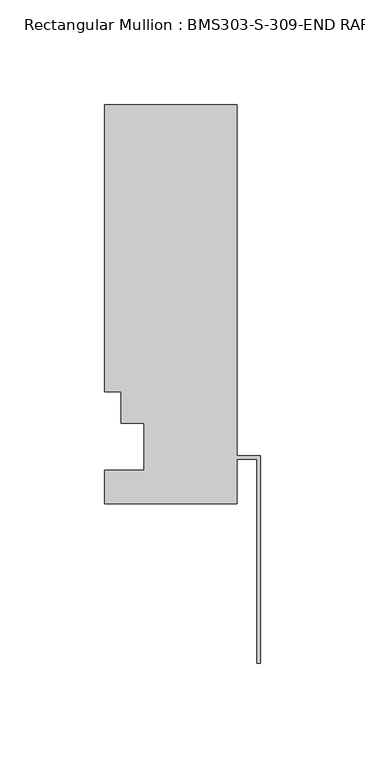
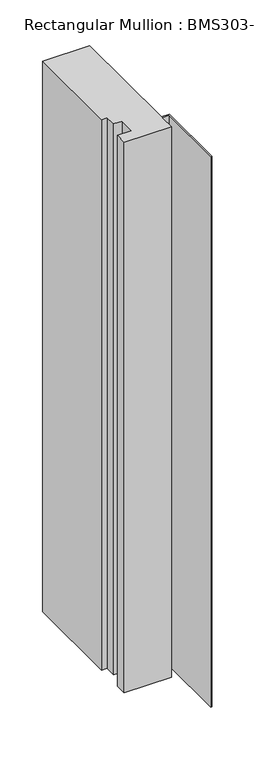
"""IFC4 building model written with IfcOpenShell, lengths in millimetres: member geometry, Rectangular Mullion : BMS303-S-309-END RAFTER."""

from ifc_helpers import new_model, si_unit, frame, origin, place, context, project, spatial, polyline, outline, extrude, source, transform, mapped, element, save


def rectangular_mullion_bms303_s_309_end_rafter_524dc61d(model_context):
    return source(origin(), model_context, "Body", "SweptSolid", [
        extrude(outline(polyline([(-11.113262, 214.709375), (-11.113262, 46.789975), (0.0, 46.789975), (0.0, -52.2757926), (-1.5748, -52.2757926), (-1.5748, 45.215175), (-11.113262, 45.215175), (-11.113262, 23.955375), (-74.613262, 23.955375), (-74.613262, 39.830375), (-55.563262, 39.830375), (-55.563262, 62.309375), (-66.688462, 62.309375), (-66.688462, 77.371575), (-74.613262, 77.371575), (-74.613262, 214.709375), (-11.113262, 214.709375)])), frame((0.0, 0.0, -785.1272189), z_axis=(0.0, 0.0, 1.0), x_axis=(1.0, 0.0, 0.0)), (0.0, 0.0, 1.0), 785.1272189),
    ])


if __name__ == "__main__":
    model = new_model("IFC4")
    model_context = context("Model", 3, world=origin())
    ifc_project = project(units=[si_unit("LENGTHUNIT", "METRE", prefix="MILLI")], contexts=[model_context])
    site = spatial("IfcSite", under=ifc_project)
    building = spatial("IfcBuilding", under=site)
    placement = place(None, origin())
    rectangular_mullion_bms303_s_309_end_rafter_shape = rectangular_mullion_bms303_s_309_end_rafter_524dc61d(model_context)
    element("IfcMember", 1, ObjectType="Rectangular Mullion : BMS303-S-309-END RAFTER", at=placement, inside=building, context=model_context, shape_type="MappedRepresentation", body=[
        mapped(rectangular_mullion_bms303_s_309_end_rafter_shape, transform((0.0, 0.0, 0.0), x_axis=(1.0, 0.0, 0.0), y_axis=(0.0, 1.0, 0.0), z_axis=(0.0, 0.0, 1.0))),
    ])
    save(model, "model.ifc")
